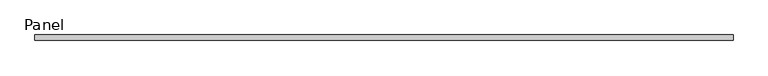
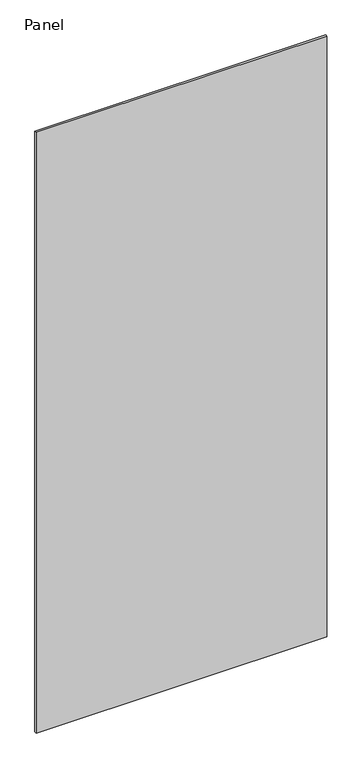
"""IFC4 building model written with IfcOpenShell, lengths in millimetres: plate geometry, Panel."""

from ifc_helpers import new_model, si_unit, frame, origin, place, context, project, spatial, polyline, outline, extrude, source, transform, mapped, element, save


def panel_e72b1dca(model_context):
    return source(origin(), model_context, "Body", "SweptSolid", [
        extrude(outline(polyline([(609.6, 31.75), (-609.6, 31.75), (-609.6, 41.275), (609.6, 41.275), (609.6, 31.75)])), frame((0.0, 0.0, -25.4), z_axis=(0.0, 0.0, 1.0), x_axis=(1.0, 0.0, 0.0)), (0.0, 0.0, 1.0), 2663.825),
    ])


if __name__ == "__main__":
    model = new_model("IFC4")
    model_context = context("Model", 3, world=origin())
    ifc_project = project(units=[si_unit("LENGTHUNIT", "METRE", prefix="MILLI")], contexts=[model_context])
    site = spatial("IfcSite", under=ifc_project)
    building = spatial("IfcBuilding", under=site)
    placement = place(None, origin())
    panel_shape = panel_e72b1dca(model_context)
    element("IfcPlate", 1, ObjectType="Panel", at=placement, inside=building, context=model_context, shape_type="MappedRepresentation", body=[
        mapped(panel_shape, transform((0.0, 0.0, 0.0), x_axis=(1.0, 0.0, 0.0), y_axis=(0.0, 1.0, 0.0), z_axis=(0.0, 0.0, 1.0))),
    ])
    save(model, "model.ifc")
